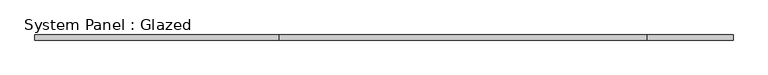
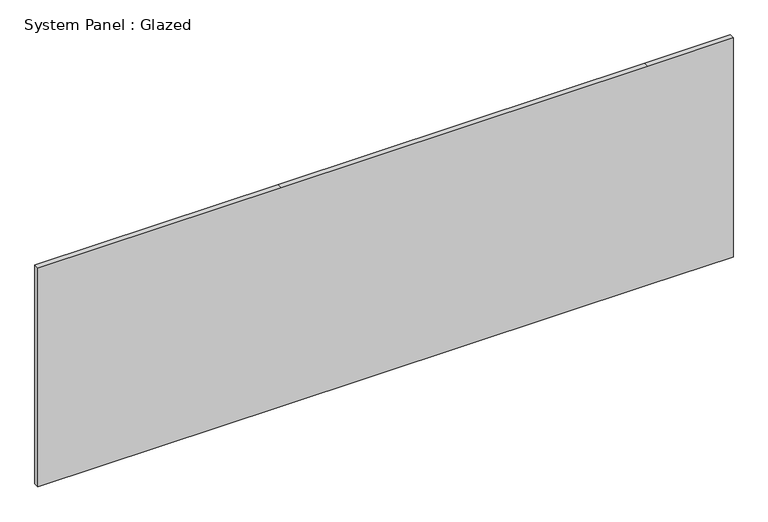
"""IFC4 building model written with IfcOpenShell, lengths in millimetres: plate geometry, System Panel : Glazed."""

from ifc_helpers import new_model, si_unit, frame, origin, place, context, project, spatial, polyline, outline, extrude, source, transform, mapped, element, save


def system_panel_glazed_4d8eed2d(model_context):
    return source(origin(), model_context, "Body", "SweptSolid", [
        extrude(outline(polyline([(0.0, -1733.3575378), (0.0, -520.8924622), (0.0, 1307.9075378), (0.0, 1733.3575378), (1155.7, 1733.3575378), (1155.7, 1307.9075378), (1155.7, -520.8924622), (1155.7, -1733.3575378), (0.0, -1733.3575378)])), frame((0.0, 19.05, 0.0), z_axis=(0.0, 1.0, 0.0), x_axis=(0.0, 0.0, 1.0)), (0.0, 0.0, 1.0), 25.4),
    ])


if __name__ == "__main__":
    model = new_model("IFC4")
    model_context = context("Model", 3, world=origin())
    ifc_project = project(units=[si_unit("LENGTHUNIT", "METRE", prefix="MILLI")], contexts=[model_context])
    site = spatial("IfcSite", under=ifc_project)
    building = spatial("IfcBuilding", under=site)
    placement = place(None, origin())
    system_panel_glazed_shape = system_panel_glazed_4d8eed2d(model_context)
    element("IfcPlate", 1, ObjectType="System Panel : Glazed", at=placement, inside=building, context=model_context, shape_type="MappedRepresentation", body=[
        mapped(system_panel_glazed_shape, transform((0.0, 0.0, 0.0), x_axis=(1.0, 0.0, 0.0), y_axis=(0.0, 1.0, 0.0), z_axis=(0.0, 0.0, 1.0))),
    ])
    save(model, "model.ifc")
